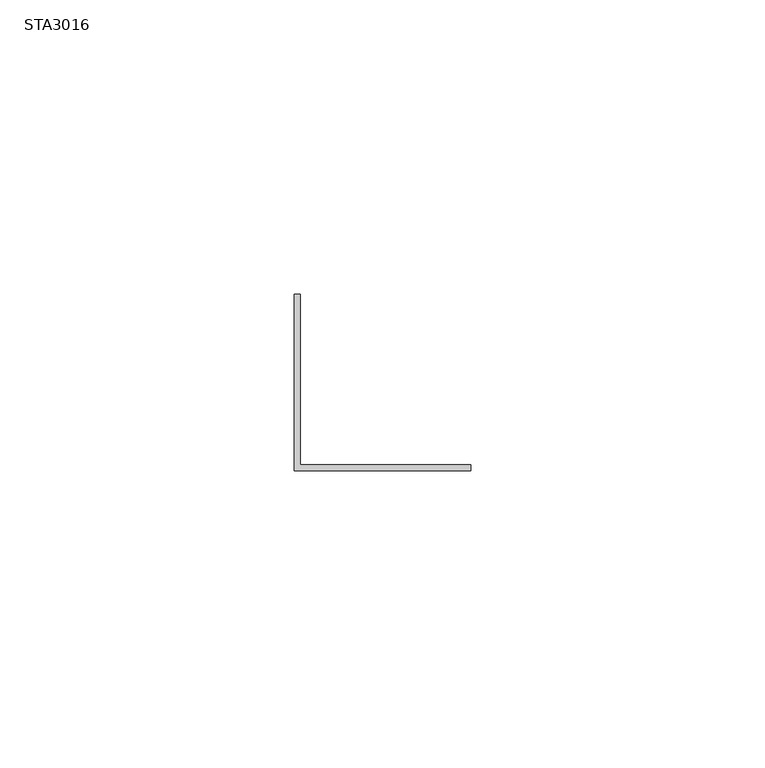
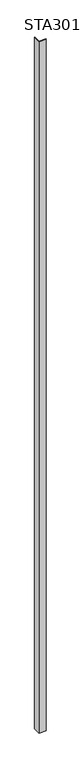
"""IFC4 building model written with IfcOpenShell, lengths in millimetres: proxy geometry, STA3016."""

from ifc_helpers import new_model, si_unit, origin, origin_with_axes, place, context, project, spatial, polyline, outline, extrude, source, transform, mapped, element, save


def sta3016_64d908ff(model_context):
    return source(origin(), model_context, "Body", "SweptSolid", [
        extrude(outline(polyline([(-5.0, 25.0), (-4.0, 25.0), (-4.0, -4.0), (25.0, -4.0), (25.0, -5.0), (-5.0, -5.0), (-5.0, 25.0)])), origin_with_axes(), (0.0, 0.0, 1.0), 3000.0),
    ])


if __name__ == "__main__":
    model = new_model("IFC4")
    model_context = context("Model", 3, world=origin())
    ifc_project = project(units=[si_unit("LENGTHUNIT", "METRE", prefix="MILLI")], contexts=[model_context])
    site = spatial("IfcSite", under=ifc_project)
    building = spatial("IfcBuilding", under=site)
    placement = place(None, origin())
    sta3016_shape = sta3016_64d908ff(model_context)
    element("IfcBuildingElementProxy", 1, Name="STA3016", ObjectType="STA3016", at=placement, inside=building, context=model_context, shape_type="MappedRepresentation", body=[
        mapped(sta3016_shape, transform((0.0, 0.0, 0.0), x_axis=(1.0, 0.0, 0.0), y_axis=(0.0, 1.0, 0.0), z_axis=(0.0, 0.0, 1.0))),
    ])
    save(model, "model.ifc")
